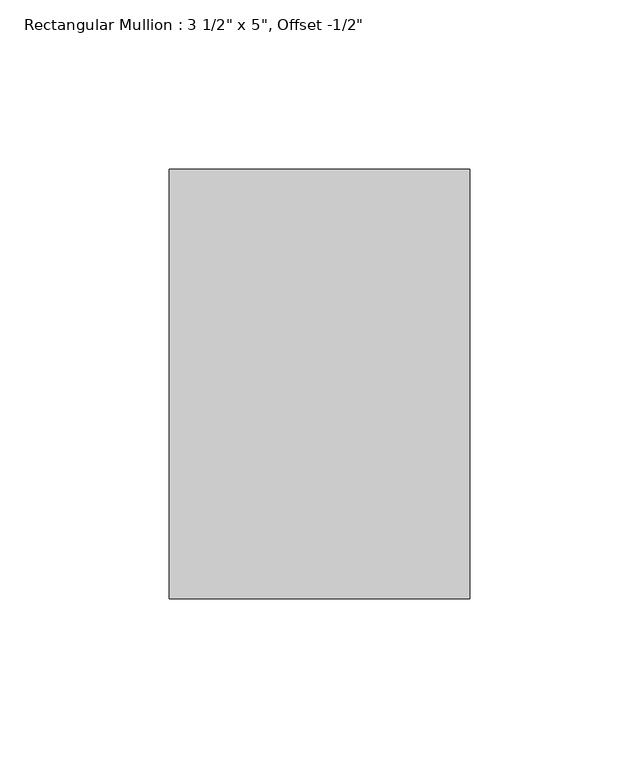
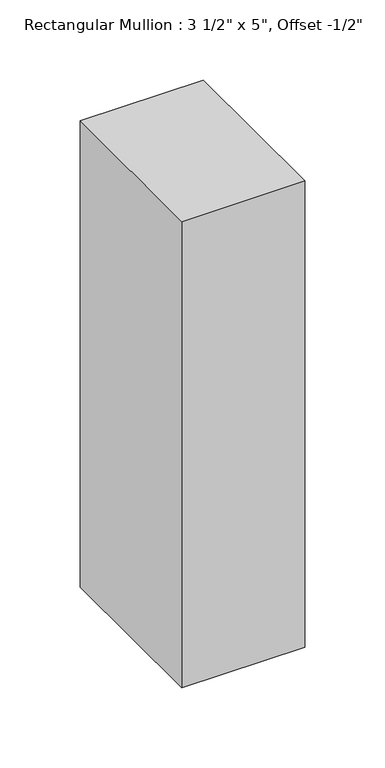
"""IFC4 building model written with IfcOpenShell, lengths in millimetres: member geometry."""

from ifc_helpers import new_model, si_unit, frame, origin, place, context, project, spatial, polyline, outline, extrude, source, transform, mapped, element, save


def member_0a07cd06(model_context):
    return source(origin(), model_context, "Body", "SweptSolid", [
        extrude(outline(polyline([(44.45, 76.2), (44.45, -50.8), (-44.45, -50.8), (-44.45, 76.2), (44.45, 76.2)])), frame((0.0, 0.0, -355.6), z_axis=(0.0, 0.0, 1.0), x_axis=(1.0, 0.0, 0.0)), (0.0, 0.0, 1.0), 355.6),
    ])


if __name__ == "__main__":
    model = new_model("IFC4")
    model_context = context("Model", 3, world=origin())
    ifc_project = project(units=[si_unit("LENGTHUNIT", "METRE", prefix="MILLI")], contexts=[model_context])
    site = spatial("IfcSite", under=ifc_project)
    building = spatial("IfcBuilding", under=site)
    placement = place(None, origin())
    member_shape = member_0a07cd06(model_context)
    element("IfcMember", 1, ObjectType="Rectangular Mullion : 3 1/2\" x 5\", Offset -1/2\"", at=placement, inside=building, context=model_context, shape_type="MappedRepresentation", body=[
        mapped(member_shape, transform((0.0, 0.0, 0.0), x_axis=(1.0, 0.0, 0.0), y_axis=(0.0, 1.0, 0.0), z_axis=(0.0, 0.0, 1.0))),
    ])
    save(model, "model.ifc")
